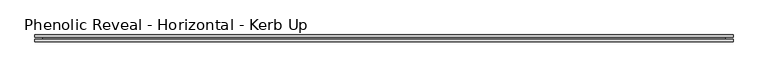
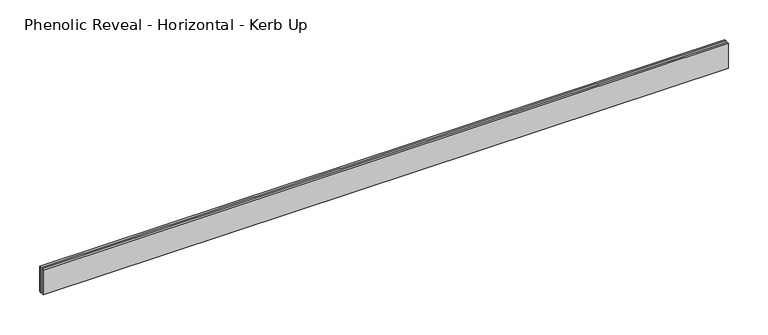
"""IFC4 building model written with IfcOpenShell, lengths in millimetres: proxy geometry, Phenolic Reveal - Horizontal - Kerb Up."""

from ifc_helpers import new_model, si_unit, origin, place, context, project, spatial, faceted_brep, source, transform, mapped, element, save


def phenolic_reveal_horizontal_kerb_up_733cc91a(model_context):
    return source(origin(), model_context, "Body", "Brep", [
        faceted_brep([(998.5375, 9.525, 0.0), (998.5375, 9.525, 38.1), (998.5375, 6.0765851, 38.1), (998.5375, 6.0765851, 0.0), (998.5375, 3.3757545, 0.0), (998.5375, 3.3757545, 38.1), (998.5375, 0.0, 38.1), (998.5375, 0.0, 0.0), (0.0, 0.0, 0.0), (0.0, 0.0, 38.1), (0.0, 3.3757545, 38.1), (0.0, 3.3757545, 0.0), (0.0, 6.0765851, 0.0), (0.0, 6.0765851, 38.1), (0.0, 9.525, 38.1), (0.0, 9.525, 0.0), (987.425, 6.0765851, 0.0), (987.425, 3.3757545, 0.0), (11.1125, 3.3757545, 0.0), (11.1125, 6.0765851, 0.0), (987.425, 6.0765851, 26.9875), (987.425, 3.3757545, 26.9875), (11.1125, 6.0765851, 26.9875), (11.1125, 3.3757545, 26.9875)], [[[0, 1, 2, 3]], [[4, 5, 6, 7]], [[8, 9, 10, 11]], [[12, 13, 14, 15]], [[1, 0, 15, 14]], [[6, 5, 10, 9]], [[7, 6, 9, 8]], [[15, 0, 3, 16, 17, 4, 7, 8, 11, 18, 19, 12]], [[16, 20, 21, 17]], [[22, 19, 18, 23]], [[13, 2, 1, 14]], [[12, 19, 22, 20, 16, 3, 2, 13]], [[20, 22, 23, 21]], [[4, 17, 21, 23, 18, 11, 10, 5]]]),
    ])


if __name__ == "__main__":
    model = new_model("IFC4")
    model_context = context("Model", 3, world=origin())
    ifc_project = project(units=[si_unit("LENGTHUNIT", "METRE", prefix="MILLI")], contexts=[model_context])
    site = spatial("IfcSite", under=ifc_project)
    building = spatial("IfcBuilding", under=site)
    placement = place(None, origin())
    phenolic_reveal_horizontal_kerb_up_shape = phenolic_reveal_horizontal_kerb_up_733cc91a(model_context)
    element("IfcBuildingElementProxy", 1, Name="Phenolic Reveal - Horizontal - Kerb Up", ObjectType="Phenolic Reveal - Horizontal - Kerb Up", at=placement, inside=building, context=model_context, shape_type="MappedRepresentation", body=[
        mapped(phenolic_reveal_horizontal_kerb_up_shape, transform((0.0, 0.0, 0.0), x_axis=(1.0, 0.0, 0.0), y_axis=(0.0, 1.0, 0.0), z_axis=(0.0, 0.0, 1.0))),
    ])
    save(model, "model.ifc")
